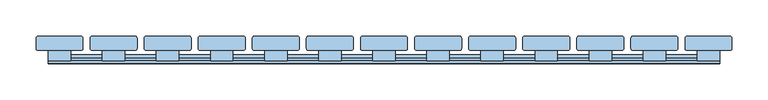
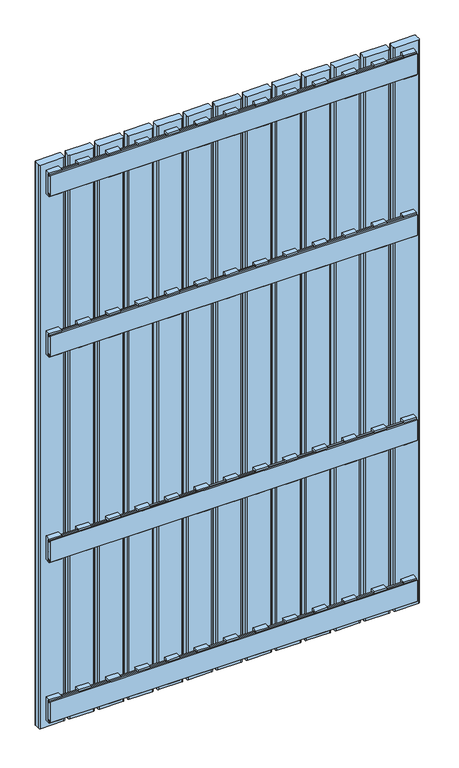
"""IFC4 building model written with IfcOpenShell, lengths in millimetres: window geometry."""

from ifc_helpers import new_model, si_unit, point, frame, frame_2d, origin, place, context, project, spatial, polyline, circle_curve, trimmed, segment, composite_curve, outline, extrude, source, transform, mapped, element, save


def window_75bc1497(model_context):
    return source(origin(), model_context, "Body", "SweptSolid", [
        extrude(outline(polyline([(24.0, 1157.5936804), (19.8, 1157.5936804), (19.8, 1153.5936804), (16.0, 1153.5936804), (16.0, 1161.5), (29.9, 1161.5), (29.9, 1098.5), (16.0, 1098.5), (16.0, 1106.4063196), (19.8, 1106.4063196), (19.8, 1102.4063196), (24.0, 1102.4063196), (24.0, 1157.5936804)])), frame((359.5, 0.0, 0.0), z_axis=(1.0, 0.0, 0.0), x_axis=(0.0, 1.0, 0.0)), (0.0, 0.0, 1.0), 31.0),
        extrude(outline(polyline([(24.0, 607.5936804), (19.8, 607.5936804), (19.8, 603.5936804), (16.0, 603.5936804), (16.0, 611.5), (29.9, 611.5), (29.9, 548.5), (16.0, 548.5), (16.0, 556.4063196), (19.8, 556.4063196), (19.8, 552.4063196), (24.0, 552.4063196), (24.0, 607.5936804)])), frame((359.5, 0.0, 0.0), z_axis=(1.0, 0.0, 0.0), x_axis=(0.0, 1.0, 0.0)), (0.0, 0.0, 1.0), 31.0),
        extrude(outline(polyline([(24.0, 1532.9063196), (24.0, 1588.0936804), (19.8, 1588.0936804), (19.8, 1584.0936804), (16.0, 1584.0936804), (16.0, 1592.0), (29.9, 1592.0), (29.9, 1529.0), (16.0, 1529.0), (16.0, 1536.9063196), (19.8, 1536.9063196), (19.8, 1532.9063196), (24.0, 1532.9063196)])), frame((359.5, 0.0, 0.0), z_axis=(1.0, 0.0, 0.0), x_axis=(0.0, 1.0, 0.0)), (0.0, 0.0, 1.0), 31.0),
        extrude(outline(polyline([(24.0, 177.0936804), (19.8, 177.0936804), (19.8, 173.0936804), (16.0, 173.0936804), (16.0, 181.0), (29.9, 181.0), (29.9, 118.0), (16.0, 118.0), (16.0, 125.9063196), (19.8, 125.9063196), (19.8, 121.9063196), (24.0, 121.9063196), (24.0, 177.0936804)])), frame((359.5, 0.0, 0.0), z_axis=(1.0, 0.0, 0.0), x_axis=(0.0, 1.0, 0.0)), (0.0, 0.0, 1.0), 31.0),
        extrude(outline(polyline([(24.0, 1157.5936804), (19.8, 1157.5936804), (19.8, 1153.5936804), (16.0, 1153.5936804), (16.0, 1161.5), (29.9, 1161.5), (29.9, 1098.5), (16.0, 1098.5), (16.0, 1106.4063196), (19.8, 1106.4063196), (19.8, 1102.4063196), (24.0, 1102.4063196), (24.0, 1157.5936804)])), frame((284.5, 0.0, 0.0), z_axis=(1.0, 0.0, 0.0), x_axis=(0.0, 1.0, 0.0)), (0.0, 0.0, 1.0), 31.0),
        extrude(outline(polyline([(24.0, 607.5936804), (19.8, 607.5936804), (19.8, 603.5936804), (16.0, 603.5936804), (16.0, 611.5), (29.9, 611.5), (29.9, 548.5), (16.0, 548.5), (16.0, 556.4063196), (19.8, 556.4063196), (19.8, 552.4063196), (24.0, 552.4063196), (24.0, 607.5936804)])), frame((284.5, 0.0, 0.0), z_axis=(1.0, 0.0, 0.0), x_axis=(0.0, 1.0, 0.0)), (0.0, 0.0, 1.0), 31.0),
        extrude(outline(polyline([(24.0, 1532.9063196), (24.0, 1588.0936804), (19.8, 1588.0936804), (19.8, 1584.0936804), (16.0, 1584.0936804), (16.0, 1592.0), (29.9, 1592.0), (29.9, 1529.0), (16.0, 1529.0), (16.0, 1536.9063196), (19.8, 1536.9063196), (19.8, 1532.9063196), (24.0, 1532.9063196)])), frame((284.5, 0.0, 0.0), z_axis=(1.0, 0.0, 0.0), x_axis=(0.0, 1.0, 0.0)), (0.0, 0.0, 1.0), 31.0),
        extrude(outline(polyline([(24.0, 177.0936804), (19.8, 177.0936804), (19.8, 173.0936804), (16.0, 173.0936804), (16.0, 181.0), (29.9, 181.0), (29.9, 118.0), (16.0, 118.0), (16.0, 125.9063196), (19.8, 125.9063196), (19.8, 121.9063196), (24.0, 121.9063196), (24.0, 177.0936804)])), frame((284.5, 0.0, 0.0), z_axis=(1.0, 0.0, 0.0), x_axis=(0.0, 1.0, 0.0)), (0.0, 0.0, 1.0), 31.0),
        extrude(outline(polyline([(24.0, 1157.5936804), (19.8, 1157.5936804), (19.8, 1153.5936804), (16.0, 1153.5936804), (16.0, 1161.5), (29.9, 1161.5), (29.9, 1098.5), (16.0, 1098.5), (16.0, 1106.4063196), (19.8, 1106.4063196), (19.8, 1102.4063196), (24.0, 1102.4063196), (24.0, 1157.5936804)])), frame((209.5, 0.0, 0.0), z_axis=(1.0, 0.0, 0.0), x_axis=(0.0, 1.0, 0.0)), (0.0, 0.0, 1.0), 31.0),
        extrude(outline(polyline([(24.0, 607.5936804), (19.8, 607.5936804), (19.8, 603.5936804), (16.0, 603.5936804), (16.0, 611.5), (29.9, 611.5), (29.9, 548.5), (16.0, 548.5), (16.0, 556.4063196), (19.8, 556.4063196), (19.8, 552.4063196), (24.0, 552.4063196), (24.0, 607.5936804)])), frame((209.5, 0.0, 0.0), z_axis=(1.0, 0.0, 0.0), x_axis=(0.0, 1.0, 0.0)), (0.0, 0.0, 1.0), 31.0),
        extrude(outline(polyline([(24.0, 1532.9063196), (24.0, 1588.0936804), (19.8, 1588.0936804), (19.8, 1584.0936804), (16.0, 1584.0936804), (16.0, 1592.0), (29.9, 1592.0), (29.9, 1529.0), (16.0, 1529.0), (16.0, 1536.9063196), (19.8, 1536.9063196), (19.8, 1532.9063196), (24.0, 1532.9063196)])), frame((209.5, 0.0, 0.0), z_axis=(1.0, 0.0, 0.0), x_axis=(0.0, 1.0, 0.0)), (0.0, 0.0, 1.0), 31.0),
        extrude(outline(polyline([(24.0, 177.0936804), (19.8, 177.0936804), (19.8, 173.0936804), (16.0, 173.0936804), (16.0, 181.0), (29.9, 181.0), (29.9, 118.0), (16.0, 118.0), (16.0, 125.9063196), (19.8, 125.9063196), (19.8, 121.9063196), (24.0, 121.9063196), (24.0, 177.0936804)])), frame((209.5, 0.0, 0.0), z_axis=(1.0, 0.0, 0.0), x_axis=(0.0, 1.0, 0.0)), (0.0, 0.0, 1.0), 31.0),
        extrude(outline(polyline([(24.0, 1157.5936804), (19.8, 1157.5936804), (19.8, 1153.5936804), (16.0, 1153.5936804), (16.0, 1161.5), (29.9, 1161.5), (29.9, 1098.5), (16.0, 1098.5), (16.0, 1106.4063196), (19.8, 1106.4063196), (19.8, 1102.4063196), (24.0, 1102.4063196), (24.0, 1157.5936804)])), frame((134.5, 0.0, 0.0), z_axis=(1.0, 0.0, 0.0), x_axis=(0.0, 1.0, 0.0)), (0.0, 0.0, 1.0), 31.0),
        extrude(outline(polyline([(24.0, 607.5936804), (19.8, 607.5936804), (19.8, 603.5936804), (16.0, 603.5936804), (16.0, 611.5), (29.9, 611.5), (29.9, 548.5), (16.0, 548.5), (16.0, 556.4063196), (19.8, 556.4063196), (19.8, 552.4063196), (24.0, 552.4063196), (24.0, 607.5936804)])), frame((134.5, 0.0, 0.0), z_axis=(1.0, 0.0, 0.0), x_axis=(0.0, 1.0, 0.0)), (0.0, 0.0, 1.0), 31.0),
        extrude(outline(polyline([(24.0, 1532.9063196), (24.0, 1588.0936804), (19.8, 1588.0936804), (19.8, 1584.0936804), (16.0, 1584.0936804), (16.0, 1592.0), (29.9, 1592.0), (29.9, 1529.0), (16.0, 1529.0), (16.0, 1536.9063196), (19.8, 1536.9063196), (19.8, 1532.9063196), (24.0, 1532.9063196)])), frame((134.5, 0.0, 0.0), z_axis=(1.0, 0.0, 0.0), x_axis=(0.0, 1.0, 0.0)), (0.0, 0.0, 1.0), 31.0),
        extrude(outline(polyline([(24.0, 177.0936804), (19.8, 177.0936804), (19.8, 173.0936804), (16.0, 173.0936804), (16.0, 181.0), (29.9, 181.0), (29.9, 118.0), (16.0, 118.0), (16.0, 125.9063196), (19.8, 125.9063196), (19.8, 121.9063196), (24.0, 121.9063196), (24.0, 177.0936804)])), frame((134.5, 0.0, 0.0), z_axis=(1.0, 0.0, 0.0), x_axis=(0.0, 1.0, 0.0)), (0.0, 0.0, 1.0), 31.0),
        extrude(outline(polyline([(24.0, 1157.5936804), (19.8, 1157.5936804), (19.8, 1153.5936804), (16.0, 1153.5936804), (16.0, 1161.5), (29.9, 1161.5), (29.9, 1098.5), (16.0, 1098.5), (16.0, 1106.4063196), (19.8, 1106.4063196), (19.8, 1102.4063196), (24.0, 1102.4063196), (24.0, 1157.5936804)])), frame((59.5, 0.0, 0.0), z_axis=(1.0, 0.0, 0.0), x_axis=(0.0, 1.0, 0.0)), (0.0, 0.0, 1.0), 31.0),
        extrude(outline(polyline([(24.0, 607.5936804), (19.8, 607.5936804), (19.8, 603.5936804), (16.0, 603.5936804), (16.0, 611.5), (29.9, 611.5), (29.9, 548.5), (16.0, 548.5), (16.0, 556.4063196), (19.8, 556.4063196), (19.8, 552.4063196), (24.0, 552.4063196), (24.0, 607.5936804)])), frame((59.5, 0.0, 0.0), z_axis=(1.0, 0.0, 0.0), x_axis=(0.0, 1.0, 0.0)), (0.0, 0.0, 1.0), 31.0),
        extrude(outline(polyline([(24.0, 1532.9063196), (24.0, 1588.0936804), (19.8, 1588.0936804), (19.8, 1584.0936804), (16.0, 1584.0936804), (16.0, 1592.0), (29.9, 1592.0), (29.9, 1529.0), (16.0, 1529.0), (16.0, 1536.9063196), (19.8, 1536.9063196), (19.8, 1532.9063196), (24.0, 1532.9063196)])), frame((59.5, 0.0, 0.0), z_axis=(1.0, 0.0, 0.0), x_axis=(0.0, 1.0, 0.0)), (0.0, 0.0, 1.0), 31.0),
        extrude(outline(polyline([(24.0, 177.0936804), (19.8, 177.0936804), (19.8, 173.0936804), (16.0, 173.0936804), (16.0, 181.0), (29.9, 181.0), (29.9, 118.0), (16.0, 118.0), (16.0, 125.9063196), (19.8, 125.9063196), (19.8, 121.9063196), (24.0, 121.9063196), (24.0, 177.0936804)])), frame((59.5, 0.0, 0.0), z_axis=(1.0, 0.0, 0.0), x_axis=(0.0, 1.0, 0.0)), (0.0, 0.0, 1.0), 31.0),
        extrude(outline(polyline([(24.0, 1157.5936804), (19.8, 1157.5936804), (19.8, 1153.5936804), (16.0, 1153.5936804), (16.0, 1161.5), (29.9, 1161.5), (29.9, 1098.5), (16.0, 1098.5), (16.0, 1106.4063196), (19.8, 1106.4063196), (19.8, 1102.4063196), (24.0, 1102.4063196), (24.0, 1157.5936804)])), frame((-15.5, 0.0, 0.0), z_axis=(1.0, 0.0, 0.0), x_axis=(0.0, 1.0, 0.0)), (0.0, 0.0, 1.0), 31.0),
        extrude(outline(polyline([(24.0, 607.5936804), (19.8, 607.5936804), (19.8, 603.5936804), (16.0, 603.5936804), (16.0, 611.5), (29.9, 611.5), (29.9, 548.5), (16.0, 548.5), (16.0, 556.4063196), (19.8, 556.4063196), (19.8, 552.4063196), (24.0, 552.4063196), (24.0, 607.5936804)])), frame((-15.5, 0.0, 0.0), z_axis=(1.0, 0.0, 0.0), x_axis=(0.0, 1.0, 0.0)), (0.0, 0.0, 1.0), 31.0),
        extrude(outline(polyline([(24.0, 1532.9063196), (24.0, 1588.0936804), (19.8, 1588.0936804), (19.8, 1584.0936804), (16.0, 1584.0936804), (16.0, 1592.0), (29.9, 1592.0), (29.9, 1529.0), (16.0, 1529.0), (16.0, 1536.9063196), (19.8, 1536.9063196), (19.8, 1532.9063196), (24.0, 1532.9063196)])), frame((-15.5, 0.0, 0.0), z_axis=(1.0, 0.0, 0.0), x_axis=(0.0, 1.0, 0.0)), (0.0, 0.0, 1.0), 31.0),
        extrude(outline(polyline([(24.0, 177.0936804), (19.8, 177.0936804), (19.8, 173.0936804), (16.0, 173.0936804), (16.0, 181.0), (29.9, 181.0), (29.9, 118.0), (16.0, 118.0), (16.0, 125.9063196), (19.8, 125.9063196), (19.8, 121.9063196), (24.0, 121.9063196), (24.0, 177.0936804)])), frame((-15.5, 0.0, 0.0), z_axis=(1.0, 0.0, 0.0), x_axis=(0.0, 1.0, 0.0)), (0.0, 0.0, 1.0), 31.0),
        extrude(outline(polyline([(24.0, 1157.5936804), (19.8, 1157.5936804), (19.8, 1153.5936804), (16.0, 1153.5936804), (16.0, 1161.5), (29.9, 1161.5), (29.9, 1098.5), (16.0, 1098.5), (16.0, 1106.4063196), (19.8, 1106.4063196), (19.8, 1102.4063196), (24.0, 1102.4063196), (24.0, 1157.5936804)])), frame((-90.5, 0.0, 0.0), z_axis=(1.0, 0.0, 0.0), x_axis=(0.0, 1.0, 0.0)), (0.0, 0.0, 1.0), 31.0),
        extrude(outline(polyline([(24.0, 607.5936804), (19.8, 607.5936804), (19.8, 603.5936804), (16.0, 603.5936804), (16.0, 611.5), (29.9, 611.5), (29.9, 548.5), (16.0, 548.5), (16.0, 556.4063196), (19.8, 556.4063196), (19.8, 552.4063196), (24.0, 552.4063196), (24.0, 607.5936804)])), frame((-90.5, 0.0, 0.0), z_axis=(1.0, 0.0, 0.0), x_axis=(0.0, 1.0, 0.0)), (0.0, 0.0, 1.0), 31.0),
        extrude(outline(polyline([(24.0, 1532.9063196), (24.0, 1588.0936804), (19.8, 1588.0936804), (19.8, 1584.0936804), (16.0, 1584.0936804), (16.0, 1592.0), (29.9, 1592.0), (29.9, 1529.0), (16.0, 1529.0), (16.0, 1536.9063196), (19.8, 1536.9063196), (19.8, 1532.9063196), (24.0, 1532.9063196)])), frame((-90.5, 0.0, 0.0), z_axis=(1.0, 0.0, 0.0), x_axis=(0.0, 1.0, 0.0)), (0.0, 0.0, 1.0), 31.0),
        extrude(outline(polyline([(24.0, 177.0936804), (19.8, 177.0936804), (19.8, 173.0936804), (16.0, 173.0936804), (16.0, 181.0), (29.9, 181.0), (29.9, 118.0), (16.0, 118.0), (16.0, 125.9063196), (19.8, 125.9063196), (19.8, 121.9063196), (24.0, 121.9063196), (24.0, 177.0936804)])), frame((-90.5, 0.0, 0.0), z_axis=(1.0, 0.0, 0.0), x_axis=(0.0, 1.0, 0.0)), (0.0, 0.0, 1.0), 31.0),
        extrude(outline(polyline([(24.0, 1157.5936804), (19.8, 1157.5936804), (19.8, 1153.5936804), (16.0, 1153.5936804), (16.0, 1161.5), (29.9, 1161.5), (29.9, 1098.5), (16.0, 1098.5), (16.0, 1106.4063196), (19.8, 1106.4063196), (19.8, 1102.4063196), (24.0, 1102.4063196), (24.0, 1157.5936804)])), frame((-165.5, 0.0, 0.0), z_axis=(1.0, 0.0, 0.0), x_axis=(0.0, 1.0, 0.0)), (0.0, 0.0, 1.0), 31.0),
        extrude(outline(polyline([(24.0, 607.5936804), (19.8, 607.5936804), (19.8, 603.5936804), (16.0, 603.5936804), (16.0, 611.5), (29.9, 611.5), (29.9, 548.5), (16.0, 548.5), (16.0, 556.4063196), (19.8, 556.4063196), (19.8, 552.4063196), (24.0, 552.4063196), (24.0, 607.5936804)])), frame((-165.5, 0.0, 0.0), z_axis=(1.0, 0.0, 0.0), x_axis=(0.0, 1.0, 0.0)), (0.0, 0.0, 1.0), 31.0),
        extrude(outline(polyline([(24.0, 1532.9063196), (24.0, 1588.0936804), (19.8, 1588.0936804), (19.8, 1584.0936804), (16.0, 1584.0936804), (16.0, 1592.0), (29.9, 1592.0), (29.9, 1529.0), (16.0, 1529.0), (16.0, 1536.9063196), (19.8, 1536.9063196), (19.8, 1532.9063196), (24.0, 1532.9063196)])), frame((-165.5, 0.0, 0.0), z_axis=(1.0, 0.0, 0.0), x_axis=(0.0, 1.0, 0.0)), (0.0, 0.0, 1.0), 31.0),
        extrude(outline(polyline([(24.0, 177.0936804), (19.8, 177.0936804), (19.8, 173.0936804), (16.0, 173.0936804), (16.0, 181.0), (29.9, 181.0), (29.9, 118.0), (16.0, 118.0), (16.0, 125.9063196), (19.8, 125.9063196), (19.8, 121.9063196), (24.0, 121.9063196), (24.0, 177.0936804)])), frame((-165.5, 0.0, 0.0), z_axis=(1.0, 0.0, 0.0), x_axis=(0.0, 1.0, 0.0)), (0.0, 0.0, 1.0), 31.0),
        extrude(outline(polyline([(24.0, 1157.5936804), (19.8, 1157.5936804), (19.8, 1153.5936804), (16.0, 1153.5936804), (16.0, 1161.5), (29.9, 1161.5), (29.9, 1098.5), (16.0, 1098.5), (16.0, 1106.4063196), (19.8, 1106.4063196), (19.8, 1102.4063196), (24.0, 1102.4063196), (24.0, 1157.5936804)])), frame((-240.5, 0.0, 0.0), z_axis=(1.0, 0.0, 0.0), x_axis=(0.0, 1.0, 0.0)), (0.0, 0.0, 1.0), 31.0),
        extrude(outline(polyline([(24.0, 607.5936804), (19.8, 607.5936804), (19.8, 603.5936804), (16.0, 603.5936804), (16.0, 611.5), (29.9, 611.5), (29.9, 548.5), (16.0, 548.5), (16.0, 556.4063196), (19.8, 556.4063196), (19.8, 552.4063196), (24.0, 552.4063196), (24.0, 607.5936804)])), frame((-240.5, 0.0, 0.0), z_axis=(1.0, 0.0, 0.0), x_axis=(0.0, 1.0, 0.0)), (0.0, 0.0, 1.0), 31.0),
        extrude(outline(polyline([(24.0, 1532.9063196), (24.0, 1588.0936804), (19.8, 1588.0936804), (19.8, 1584.0936804), (16.0, 1584.0936804), (16.0, 1592.0), (29.9, 1592.0), (29.9, 1529.0), (16.0, 1529.0), (16.0, 1536.9063196), (19.8, 1536.9063196), (19.8, 1532.9063196), (24.0, 1532.9063196)])), frame((-240.5, 0.0, 0.0), z_axis=(1.0, 0.0, 0.0), x_axis=(0.0, 1.0, 0.0)), (0.0, 0.0, 1.0), 31.0),
        extrude(outline(polyline([(24.0, 177.0936804), (19.8, 177.0936804), (19.8, 173.0936804), (16.0, 173.0936804), (16.0, 181.0), (29.9, 181.0), (29.9, 118.0), (16.0, 118.0), (16.0, 125.9063196), (19.8, 125.9063196), (19.8, 121.9063196), (24.0, 121.9063196), (24.0, 177.0936804)])), frame((-240.5, 0.0, 0.0), z_axis=(1.0, 0.0, 0.0), x_axis=(0.0, 1.0, 0.0)), (0.0, 0.0, 1.0), 31.0),
        extrude(outline(polyline([(24.0, 1157.5936804), (19.8, 1157.5936804), (19.8, 1153.5936804), (16.0, 1153.5936804), (16.0, 1161.5), (29.9, 1161.5), (29.9, 1098.5), (16.0, 1098.5), (16.0, 1106.4063196), (19.8, 1106.4063196), (19.8, 1102.4063196), (24.0, 1102.4063196), (24.0, 1157.5936804)])), frame((-315.5, 0.0, 0.0), z_axis=(1.0, 0.0, 0.0), x_axis=(0.0, 1.0, 0.0)), (0.0, 0.0, 1.0), 31.0),
        extrude(outline(polyline([(24.0, 607.5936804), (19.8, 607.5936804), (19.8, 603.5936804), (16.0, 603.5936804), (16.0, 611.5), (29.9, 611.5), (29.9, 548.5), (16.0, 548.5), (16.0, 556.4063196), (19.8, 556.4063196), (19.8, 552.4063196), (24.0, 552.4063196), (24.0, 607.5936804)])), frame((-315.5, 0.0, 0.0), z_axis=(1.0, 0.0, 0.0), x_axis=(0.0, 1.0, 0.0)), (0.0, 0.0, 1.0), 31.0),
        extrude(outline(polyline([(24.0, 1532.9063196), (24.0, 1588.0936804), (19.8, 1588.0936804), (19.8, 1584.0936804), (16.0, 1584.0936804), (16.0, 1592.0), (29.9, 1592.0), (29.9, 1529.0), (16.0, 1529.0), (16.0, 1536.9063196), (19.8, 1536.9063196), (19.8, 1532.9063196), (24.0, 1532.9063196)])), frame((-315.5, 0.0, 0.0), z_axis=(1.0, 0.0, 0.0), x_axis=(0.0, 1.0, 0.0)), (0.0, 0.0, 1.0), 31.0),
        extrude(outline(polyline([(24.0, 177.0936804), (19.8, 177.0936804), (19.8, 173.0936804), (16.0, 173.0936804), (16.0, 181.0), (29.9, 181.0), (29.9, 118.0), (16.0, 118.0), (16.0, 125.9063196), (19.8, 125.9063196), (19.8, 121.9063196), (24.0, 121.9063196), (24.0, 177.0936804)])), frame((-315.5, 0.0, 0.0), z_axis=(1.0, 0.0, 0.0), x_axis=(0.0, 1.0, 0.0)), (0.0, 0.0, 1.0), 31.0),
        extrude(outline(polyline([(24.0, 1157.5936804), (19.8, 1157.5936804), (19.8, 1153.5936804), (16.0, 1153.5936804), (16.0, 1161.5), (29.9, 1161.5), (29.9, 1098.5), (16.0, 1098.5), (16.0, 1106.4063196), (19.8, 1106.4063196), (19.8, 1102.4063196), (24.0, 1102.4063196), (24.0, 1157.5936804)])), frame((-390.5, 0.0, 0.0), z_axis=(1.0, 0.0, 0.0), x_axis=(0.0, 1.0, 0.0)), (0.0, 0.0, 1.0), 31.0),
        extrude(outline(polyline([(24.0, 607.5936804), (19.8, 607.5936804), (19.8, 603.5936804), (16.0, 603.5936804), (16.0, 611.5), (29.9, 611.5), (29.9, 548.5), (16.0, 548.5), (16.0, 556.4063196), (19.8, 556.4063196), (19.8, 552.4063196), (24.0, 552.4063196), (24.0, 607.5936804)])), frame((-390.5, 0.0, 0.0), z_axis=(1.0, 0.0, 0.0), x_axis=(0.0, 1.0, 0.0)), (0.0, 0.0, 1.0), 31.0),
        extrude(outline(polyline([(24.0, 1532.9063196), (24.0, 1588.0936804), (19.8, 1588.0936804), (19.8, 1584.0936804), (16.0, 1584.0936804), (16.0, 1592.0), (29.9, 1592.0), (29.9, 1529.0), (16.0, 1529.0), (16.0, 1536.9063196), (19.8, 1536.9063196), (19.8, 1532.9063196), (24.0, 1532.9063196)])), frame((-390.5, 0.0, 0.0), z_axis=(1.0, 0.0, 0.0), x_axis=(0.0, 1.0, 0.0)), (0.0, 0.0, 1.0), 31.0),
        extrude(outline(polyline([(24.0, 177.0936804), (19.8, 177.0936804), (19.8, 173.0936804), (16.0, 173.0936804), (16.0, 181.0), (29.9, 181.0), (29.9, 118.0), (16.0, 118.0), (16.0, 125.9063196), (19.8, 125.9063196), (19.8, 121.9063196), (24.0, 121.9063196), (24.0, 177.0936804)])), frame((-390.5, 0.0, 0.0), z_axis=(1.0, 0.0, 0.0), x_axis=(0.0, 1.0, 0.0)), (0.0, 0.0, 1.0), 31.0),
        extrude(outline(polyline([(24.0, 1102.4063196), (24.0, 1157.5936804), (19.8, 1157.5936804), (19.8, 1153.5936804), (16.0, 1153.5936804), (16.0, 1161.5), (29.9, 1161.5), (29.9, 1098.5), (16.0, 1098.5), (16.0, 1106.4063196), (19.8, 1106.4063196), (19.8, 1102.4063196), (24.0, 1102.4063196)])), frame((434.5, 0.0, 0.0), z_axis=(1.0, 0.0, 0.0), x_axis=(0.0, 1.0, 0.0)), (0.0, 0.0, 1.0), 31.0),
        extrude(outline(polyline([(24.0, 552.4063196), (24.0, 607.5936804), (19.8, 607.5936804), (19.8, 603.5936804), (16.0, 603.5936804), (16.0, 611.5), (29.9, 611.5), (29.9, 548.5), (16.0, 548.5), (16.0, 556.4063196), (19.8, 556.4063196), (19.8, 552.4063196), (24.0, 552.4063196)])), frame((434.5, 0.0, 0.0), z_axis=(1.0, 0.0, 0.0), x_axis=(0.0, 1.0, 0.0)), (0.0, 0.0, 1.0), 31.0),
        extrude(outline(polyline([(24.0, 1532.9063196), (24.0, 1588.0936804), (19.8, 1588.0936804), (19.8, 1584.0936804), (16.0, 1584.0936804), (16.0, 1592.0), (29.9, 1592.0), (29.9, 1529.0), (16.0, 1529.0), (16.0, 1536.9063196), (19.8, 1536.9063196), (19.8, 1532.9063196), (24.0, 1532.9063196)])), frame((434.5, 0.0, 0.0), z_axis=(1.0, 0.0, 0.0), x_axis=(0.0, 1.0, 0.0)), (0.0, 0.0, 1.0), 31.0),
        extrude(outline(polyline([(24.0, 177.0936804), (19.8, 177.0936804), (19.8, 173.0936804), (16.0, 173.0936804), (16.0, 181.0), (29.9, 181.0), (29.9, 118.0), (16.0, 118.0), (16.0, 125.9063196), (19.8, 125.9063196), (19.8, 121.9063196), (24.0, 121.9063196), (24.0, 177.0936804)])), frame((434.5, 0.0, 0.0), z_axis=(1.0, 0.0, 0.0), x_axis=(0.0, 1.0, 0.0)), (0.0, 0.0, 1.0), 31.0),
        extrude(outline(polyline([(24.0, 1102.4063196), (24.0, 1157.5936804), (19.8, 1157.5936804), (19.8, 1153.5936804), (16.0, 1153.5936804), (16.0, 1161.5), (29.9, 1161.5), (29.9, 1098.5), (16.0, 1098.5), (16.0, 1106.4063196), (19.8, 1106.4063196), (19.8, 1102.4063196), (24.0, 1102.4063196)])), frame((-465.5, 0.0, 0.0), z_axis=(1.0, 0.0, 0.0), x_axis=(0.0, 1.0, 0.0)), (0.0, 0.0, 1.0), 31.0),
        extrude(outline(polyline([(24.0, 552.4063196), (24.0, 607.5936804), (19.8, 607.5936804), (19.8, 603.5936804), (16.0, 603.5936804), (16.0, 611.5), (29.9, 611.5), (29.9, 548.5), (16.0, 548.5), (16.0, 556.4063196), (19.8, 556.4063196), (19.8, 552.4063196), (24.0, 552.4063196)])), frame((-465.5, 0.0, 0.0), z_axis=(1.0, 0.0, 0.0), x_axis=(0.0, 1.0, 0.0)), (0.0, 0.0, 1.0), 31.0),
        extrude(outline(polyline([(24.0, 1532.9063196), (24.0, 1588.0936804), (19.8, 1588.0936804), (19.8, 1584.0936804), (16.0, 1584.0936804), (16.0, 1592.0), (29.9, 1592.0), (29.9, 1529.0), (16.0, 1529.0), (16.0, 1536.9063196), (19.8, 1536.9063196), (19.8, 1532.9063196), (24.0, 1532.9063196)])), frame((-465.5, 0.0, 0.0), z_axis=(1.0, 0.0, 0.0), x_axis=(0.0, 1.0, 0.0)), (0.0, 0.0, 1.0), 31.0),
        extrude(outline(polyline([(24.0, 177.0936804), (19.8, 177.0936804), (19.8, 173.0936804), (16.0, 173.0936804), (16.0, 181.0), (29.9, 181.0), (29.9, 118.0), (16.0, 118.0), (16.0, 125.9063196), (19.8, 125.9063196), (19.8, 121.9063196), (24.0, 121.9063196), (24.0, 177.0936804)])), frame((-465.5, 0.0, 0.0), z_axis=(1.0, 0.0, 0.0), x_axis=(0.0, 1.0, 0.0)), (0.0, 0.0, 1.0), 31.0),
        extrude(outline(polyline([(12.0, 1157.5063196), (16.0, 1157.5063196), (16.0, 1153.5063196), (20.0, 1153.5063196), (20.0, 1157.5063196), (24.0, 1157.5063196), (24.0, 1152.5063196), (21.0, 1152.5063196), (21.0, 1147.5063196), (24.0, 1147.5063196), (24.0, 1135.0063196), (21.0, 1135.0063196), (21.0, 1125.0063196), (24.0, 1125.0063196), (24.0, 1112.5063196), (21.0, 1112.5063196), (21.0, 1107.5063196), (24.0, 1107.5063196), (24.0, 1102.5063196), (20.0, 1102.5063196), (20.0, 1106.5063196), (16.0, 1106.5063196), (16.0, 1102.5063196), (12.0, 1102.5063196), (12.0, 1157.5063196)])), frame((-465.5, 0.0, 0.0), z_axis=(1.0, 0.0, 0.0), x_axis=(0.0, 1.0, 0.0)), (0.0, 0.0, 1.0), 931.0),
        extrude(outline(polyline([(12.0, 607.5063196), (16.0, 607.5063196), (16.0, 603.5063196), (20.0, 603.5063196), (20.0, 607.5063196), (24.0, 607.5063196), (24.0, 602.5063196), (21.0, 602.5063196), (21.0, 597.5063196), (24.0, 597.5063196), (24.0, 585.0063196), (21.0, 585.0063196), (21.0, 575.0063196), (24.0, 575.0063196), (24.0, 562.5063196), (21.0, 562.5063196), (21.0, 557.5063196), (24.0, 557.5063196), (24.0, 552.5063196), (20.0, 552.5063196), (20.0, 556.5063196), (16.0, 556.5063196), (16.0, 552.5063196), (12.0, 552.5063196), (12.0, 607.5063196)])), frame((-465.5, 0.0, 0.0), z_axis=(1.0, 0.0, 0.0), x_axis=(0.0, 1.0, 0.0)), (0.0, 0.0, 1.0), 931.0),
        extrude(outline(polyline([(12.0, 1588.0), (16.0, 1588.0), (16.0, 1584.0), (20.0, 1584.0), (20.0, 1588.0), (24.0, 1588.0), (24.0, 1583.0), (21.0, 1583.0), (21.0, 1578.0), (24.0, 1578.0), (24.0, 1565.5), (21.0, 1565.5), (21.0, 1555.5), (24.0, 1555.5), (24.0, 1543.0), (21.0, 1543.0), (21.0, 1538.0), (24.0, 1538.0), (24.0, 1533.0), (20.0, 1533.0), (20.0, 1537.0), (16.0, 1537.0), (16.0, 1533.0), (12.0, 1533.0), (12.0, 1588.0)])), frame((-465.5, 0.0, 0.0), z_axis=(1.0, 0.0, 0.0), x_axis=(0.0, 1.0, 0.0)), (0.0, 0.0, 1.0), 931.0),
        extrude(outline(polyline([(12.0, 177.0), (16.0, 177.0), (16.0, 173.0), (20.0, 173.0), (20.0, 177.0), (24.0, 177.0), (24.0, 172.0), (21.0, 172.0), (21.0, 167.0), (24.0, 167.0), (24.0, 154.5), (21.0, 154.5), (21.0, 144.5), (24.0, 144.5), (24.0, 132.0), (21.0, 132.0), (21.0, 127.0), (24.0, 127.0), (24.0, 122.0), (20.0, 122.0), (20.0, 126.0), (16.0, 126.0), (16.0, 122.0), (12.0, 122.0), (12.0, 177.0)])), frame((-465.5, 0.0, 0.0), z_axis=(1.0, 0.0, 0.0), x_axis=(0.0, 1.0, 0.0)), (0.0, 0.0, 1.0), 931.0),
        extrude(outline(composite_curve([segment(polyline([(482.495806, 47.0), (482.495806, 33.0)]), True, "CONTINUOUS"), segment(trimmed(circle_curve(frame_2d((479.495806, 33.0)), 3.0), [point((482.495806, 33.0))], [point((479.495806, 30.0))], False, "CARTESIAN"), True, "CONTINUOUS"), segment(polyline([(479.495806, 30.0), (420.504194, 30.0)]), True, "CONTINUOUS"), segment(trimmed(circle_curve(frame_2d((420.504194, 33.0)), 3.0), [point((420.504194, 30.0))], [point((417.504194, 33.0))], False, "CARTESIAN"), True, "CONTINUOUS"), segment(polyline([(417.504194, 33.0), (417.504194, 47.0)]), True, "CONTINUOUS"), segment(trimmed(circle_curve(frame_2d((420.504194, 47.0)), 3.0), [point((417.504194, 47.0))], [point((420.504194, 50.0))], False, "CARTESIAN"), True, "CONTINUOUS"), segment(polyline([(420.504194, 50.0), (479.495806, 50.0)]), True, "CONTINUOUS"), segment(trimmed(circle_curve(frame_2d((479.495806, 47.0)), 3.0), [point((479.495806, 50.0))], [point((482.495806, 47.0))], False, "CARTESIAN"), True, "CONTINUOUS")], self_intersect=False)), frame((0.0, 0.0, 100.0), z_axis=(0.0, 0.0, 1.0), x_axis=(1.0, 0.0, 0.0)), (0.0, 0.0, 1.0), 1510.0),
        extrude(outline(composite_curve([segment(polyline([(407.495806, 47.0), (407.495806, 33.0)]), True, "CONTINUOUS"), segment(trimmed(circle_curve(frame_2d((404.495806, 33.0)), 3.0), [point((407.495806, 33.0))], [point((404.495806, 30.0))], False, "CARTESIAN"), True, "CONTINUOUS"), segment(polyline([(404.495806, 30.0), (345.504194, 30.0)]), True, "CONTINUOUS"), segment(trimmed(circle_curve(frame_2d((345.504194, 33.0)), 3.0), [point((345.504194, 30.0))], [point((342.504194, 33.0))], False, "CARTESIAN"), True, "CONTINUOUS"), segment(polyline([(342.504194, 33.0), (342.504194, 47.0)]), True, "CONTINUOUS"), segment(trimmed(circle_curve(frame_2d((345.504194, 47.0)), 3.0), [point((342.504194, 47.0))], [point((345.504194, 50.0))], False, "CARTESIAN"), True, "CONTINUOUS"), segment(polyline([(345.504194, 50.0), (404.495806, 50.0)]), True, "CONTINUOUS"), segment(trimmed(circle_curve(frame_2d((404.495806, 47.0)), 3.0), [point((404.495806, 50.0))], [point((407.495806, 47.0))], False, "CARTESIAN"), True, "CONTINUOUS")], self_intersect=False)), frame((0.0, 0.0, 100.0), z_axis=(0.0, 0.0, 1.0), x_axis=(1.0, 0.0, 0.0)), (0.0, 0.0, 1.0), 1510.0),
        extrude(outline(composite_curve([segment(polyline([(332.495806, 47.0), (332.495806, 33.0)]), True, "CONTINUOUS"), segment(trimmed(circle_curve(frame_2d((329.495806, 33.0)), 3.0), [point((332.495806, 33.0))], [point((329.495806, 30.0))], False, "CARTESIAN"), True, "CONTINUOUS"), segment(polyline([(329.495806, 30.0), (270.504194, 30.0)]), True, "CONTINUOUS"), segment(trimmed(circle_curve(frame_2d((270.504194, 33.0)), 3.0), [point((270.504194, 30.0))], [point((267.504194, 33.0))], False, "CARTESIAN"), True, "CONTINUOUS"), segment(polyline([(267.504194, 33.0), (267.504194, 47.0)]), True, "CONTINUOUS"), segment(trimmed(circle_curve(frame_2d((270.504194, 47.0)), 3.0), [point((267.504194, 47.0))], [point((270.504194, 50.0))], False, "CARTESIAN"), True, "CONTINUOUS"), segment(polyline([(270.504194, 50.0), (329.495806, 50.0)]), True, "CONTINUOUS"), segment(trimmed(circle_curve(frame_2d((329.495806, 47.0)), 3.0), [point((329.495806, 50.0))], [point((332.495806, 47.0))], False, "CARTESIAN"), True, "CONTINUOUS")], self_intersect=False)), frame((0.0, 0.0, 100.0), z_axis=(0.0, 0.0, 1.0), x_axis=(1.0, 0.0, 0.0)), (0.0, 0.0, 1.0), 1510.0),
        extrude(outline(composite_curve([segment(polyline([(257.495806, 47.0), (257.495806, 33.0)]), True, "CONTINUOUS"), segment(trimmed(circle_curve(frame_2d((254.495806, 33.0)), 3.0), [point((257.495806, 33.0))], [point((254.495806, 30.0))], False, "CARTESIAN"), True, "CONTINUOUS"), segment(polyline([(254.495806, 30.0), (195.504194, 30.0)]), True, "CONTINUOUS"), segment(trimmed(circle_curve(frame_2d((195.504194, 33.0)), 3.0), [point((195.504194, 30.0))], [point((192.504194, 33.0))], False, "CARTESIAN"), True, "CONTINUOUS"), segment(polyline([(192.504194, 33.0), (192.504194, 47.0)]), True, "CONTINUOUS"), segment(trimmed(circle_curve(frame_2d((195.504194, 47.0)), 3.0), [point((192.504194, 47.0))], [point((195.504194, 50.0))], False, "CARTESIAN"), True, "CONTINUOUS"), segment(polyline([(195.504194, 50.0), (254.495806, 50.0)]), True, "CONTINUOUS"), segment(trimmed(circle_curve(frame_2d((254.495806, 47.0)), 3.0), [point((254.495806, 50.0))], [point((257.495806, 47.0))], False, "CARTESIAN"), True, "CONTINUOUS")], self_intersect=False)), frame((0.0, 0.0, 100.0), z_axis=(0.0, 0.0, 1.0), x_axis=(1.0, 0.0, 0.0)), (0.0, 0.0, 1.0), 1510.0),
        extrude(outline(composite_curve([segment(polyline([(182.495806, 47.0), (182.495806, 33.0)]), True, "CONTINUOUS"), segment(trimmed(circle_curve(frame_2d((179.495806, 33.0)), 3.0), [point((182.495806, 33.0))], [point((179.495806, 30.0))], False, "CARTESIAN"), True, "CONTINUOUS"), segment(polyline([(179.495806, 30.0), (120.504194, 30.0)]), True, "CONTINUOUS"), segment(trimmed(circle_curve(frame_2d((120.504194, 33.0)), 3.0), [point((120.504194, 30.0))], [point((117.504194, 33.0))], False, "CARTESIAN"), True, "CONTINUOUS"), segment(polyline([(117.504194, 33.0), (117.504194, 47.0)]), True, "CONTINUOUS"), segment(trimmed(circle_curve(frame_2d((120.504194, 47.0)), 3.0), [point((117.504194, 47.0))], [point((120.504194, 50.0))], False, "CARTESIAN"), True, "CONTINUOUS"), segment(polyline([(120.504194, 50.0), (179.495806, 50.0)]), True, "CONTINUOUS"), segment(trimmed(circle_curve(frame_2d((179.495806, 47.0)), 3.0), [point((179.495806, 50.0))], [point((182.495806, 47.0))], False, "CARTESIAN"), True, "CONTINUOUS")], self_intersect=False)), frame((0.0, 0.0, 100.0), z_axis=(0.0, 0.0, 1.0), x_axis=(1.0, 0.0, 0.0)), (0.0, 0.0, 1.0), 1510.0),
        extrude(outline(composite_curve([segment(polyline([(107.495806, 47.0), (107.495806, 33.0)]), True, "CONTINUOUS"), segment(trimmed(circle_curve(frame_2d((104.495806, 33.0)), 3.0), [point((107.495806, 33.0))], [point((104.495806, 30.0))], False, "CARTESIAN"), True, "CONTINUOUS"), segment(polyline([(104.495806, 30.0), (45.504194, 30.0)]), True, "CONTINUOUS"), segment(trimmed(circle_curve(frame_2d((45.504194, 33.0)), 3.0), [point((45.504194, 30.0))], [point((42.504194, 33.0))], False, "CARTESIAN"), True, "CONTINUOUS"), segment(polyline([(42.504194, 33.0), (42.504194, 47.0)]), True, "CONTINUOUS"), segment(trimmed(circle_curve(frame_2d((45.504194, 47.0)), 3.0), [point((42.504194, 47.0))], [point((45.504194, 50.0))], False, "CARTESIAN"), True, "CONTINUOUS"), segment(polyline([(45.504194, 50.0), (104.495806, 50.0)]), True, "CONTINUOUS"), segment(trimmed(circle_curve(frame_2d((104.495806, 47.0)), 3.0), [point((104.495806, 50.0))], [point((107.495806, 47.0))], False, "CARTESIAN"), True, "CONTINUOUS")], self_intersect=False)), frame((0.0, 0.0, 100.0), z_axis=(0.0, 0.0, 1.0), x_axis=(1.0, 0.0, 0.0)), (0.0, 0.0, 1.0), 1510.0),
        extrude(outline(composite_curve([segment(polyline([(32.495806, 47.0), (32.495806, 33.0)]), True, "CONTINUOUS"), segment(trimmed(circle_curve(frame_2d((29.495806, 33.0)), 3.0), [point((32.495806, 33.0))], [point((29.495806, 30.0))], False, "CARTESIAN"), True, "CONTINUOUS"), segment(polyline([(29.495806, 30.0), (-29.495806, 30.0)]), True, "CONTINUOUS"), segment(trimmed(circle_curve(frame_2d((-29.495806, 33.0)), 3.0), [point((-29.495806, 30.0))], [point((-32.495806, 33.0))], False, "CARTESIAN"), True, "CONTINUOUS"), segment(polyline([(-32.495806, 33.0), (-32.495806, 47.0)]), True, "CONTINUOUS"), segment(trimmed(circle_curve(frame_2d((-29.495806, 47.0)), 3.0), [point((-32.495806, 47.0))], [point((-29.495806, 50.0))], False, "CARTESIAN"), True, "CONTINUOUS"), segment(polyline([(-29.495806, 50.0), (29.495806, 50.0)]), True, "CONTINUOUS"), segment(trimmed(circle_curve(frame_2d((29.495806, 47.0)), 3.0), [point((29.495806, 50.0))], [point((32.495806, 47.0))], False, "CARTESIAN"), True, "CONTINUOUS")], self_intersect=False)), frame((0.0, 0.0, 100.0), z_axis=(0.0, 0.0, 1.0), x_axis=(1.0, 0.0, 0.0)), (0.0, 0.0, 1.0), 1510.0),
        extrude(outline(composite_curve([segment(polyline([(-42.504194, 47.0), (-42.504194, 33.0)]), True, "CONTINUOUS"), segment(trimmed(circle_curve(frame_2d((-45.504194, 33.0)), 3.0), [point((-42.504194, 33.0))], [point((-45.504194, 30.0))], False, "CARTESIAN"), True, "CONTINUOUS"), segment(polyline([(-45.504194, 30.0), (-104.495806, 30.0)]), True, "CONTINUOUS"), segment(trimmed(circle_curve(frame_2d((-104.495806, 33.0)), 3.0), [point((-104.495806, 30.0))], [point((-107.495806, 33.0))], False, "CARTESIAN"), True, "CONTINUOUS"), segment(polyline([(-107.495806, 33.0), (-107.495806, 47.0)]), True, "CONTINUOUS"), segment(trimmed(circle_curve(frame_2d((-104.495806, 47.0)), 3.0), [point((-107.495806, 47.0))], [point((-104.495806, 50.0))], False, "CARTESIAN"), True, "CONTINUOUS"), segment(polyline([(-104.495806, 50.0), (-45.504194, 50.0)]), True, "CONTINUOUS"), segment(trimmed(circle_curve(frame_2d((-45.504194, 47.0)), 3.0), [point((-45.504194, 50.0))], [point((-42.504194, 47.0))], False, "CARTESIAN"), True, "CONTINUOUS")], self_intersect=False)), frame((0.0, 0.0, 100.0), z_axis=(0.0, 0.0, 1.0), x_axis=(1.0, 0.0, 0.0)), (0.0, 0.0, 1.0), 1510.0),
        extrude(outline(composite_curve([segment(polyline([(-117.504194, 47.0), (-117.504194, 33.0)]), True, "CONTINUOUS"), segment(trimmed(circle_curve(frame_2d((-120.504194, 33.0)), 3.0), [point((-117.504194, 33.0))], [point((-120.504194, 30.0))], False, "CARTESIAN"), True, "CONTINUOUS"), segment(polyline([(-120.504194, 30.0), (-179.495806, 30.0)]), True, "CONTINUOUS"), segment(trimmed(circle_curve(frame_2d((-179.495806, 33.0)), 3.0), [point((-179.495806, 30.0))], [point((-182.495806, 33.0))], False, "CARTESIAN"), True, "CONTINUOUS"), segment(polyline([(-182.495806, 33.0), (-182.495806, 47.0)]), True, "CONTINUOUS"), segment(trimmed(circle_curve(frame_2d((-179.495806, 47.0)), 3.0), [point((-182.495806, 47.0))], [point((-179.495806, 50.0))], False, "CARTESIAN"), True, "CONTINUOUS"), segment(polyline([(-179.495806, 50.0), (-120.504194, 50.0)]), True, "CONTINUOUS"), segment(trimmed(circle_curve(frame_2d((-120.504194, 47.0)), 3.0), [point((-120.504194, 50.0))], [point((-117.504194, 47.0))], False, "CARTESIAN"), True, "CONTINUOUS")], self_intersect=False)), frame((0.0, 0.0, 100.0), z_axis=(0.0, 0.0, 1.0), x_axis=(1.0, 0.0, 0.0)), (0.0, 0.0, 1.0), 1510.0),
        extrude(outline(composite_curve([segment(polyline([(-192.504194, 47.0), (-192.504194, 33.0)]), True, "CONTINUOUS"), segment(trimmed(circle_curve(frame_2d((-195.504194, 33.0)), 3.0), [point((-192.504194, 33.0))], [point((-195.504194, 30.0))], False, "CARTESIAN"), True, "CONTINUOUS"), segment(polyline([(-195.504194, 30.0), (-254.495806, 30.0)]), True, "CONTINUOUS"), segment(trimmed(circle_curve(frame_2d((-254.495806, 33.0)), 3.0), [point((-254.495806, 30.0))], [point((-257.495806, 33.0))], False, "CARTESIAN"), True, "CONTINUOUS"), segment(polyline([(-257.495806, 33.0), (-257.495806, 47.0)]), True, "CONTINUOUS"), segment(trimmed(circle_curve(frame_2d((-254.495806, 47.0)), 3.0), [point((-257.495806, 47.0))], [point((-254.495806, 50.0))], False, "CARTESIAN"), True, "CONTINUOUS"), segment(polyline([(-254.495806, 50.0), (-195.504194, 50.0)]), True, "CONTINUOUS"), segment(trimmed(circle_curve(frame_2d((-195.504194, 47.0)), 3.0), [point((-195.504194, 50.0))], [point((-192.504194, 47.0))], False, "CARTESIAN"), True, "CONTINUOUS")], self_intersect=False)), frame((0.0, 0.0, 100.0), z_axis=(0.0, 0.0, 1.0), x_axis=(1.0, 0.0, 0.0)), (0.0, 0.0, 1.0), 1510.0),
        extrude(outline(composite_curve([segment(polyline([(-267.504194, 47.0), (-267.504194, 33.0)]), True, "CONTINUOUS"), segment(trimmed(circle_curve(frame_2d((-270.504194, 33.0)), 3.0), [point((-267.504194, 33.0))], [point((-270.504194, 30.0))], False, "CARTESIAN"), True, "CONTINUOUS"), segment(polyline([(-270.504194, 30.0), (-329.495806, 30.0)]), True, "CONTINUOUS"), segment(trimmed(circle_curve(frame_2d((-329.495806, 33.0)), 3.0), [point((-329.495806, 30.0))], [point((-332.495806, 33.0))], False, "CARTESIAN"), True, "CONTINUOUS"), segment(polyline([(-332.495806, 33.0), (-332.495806, 47.0)]), True, "CONTINUOUS"), segment(trimmed(circle_curve(frame_2d((-329.495806, 47.0)), 3.0), [point((-332.495806, 47.0))], [point((-329.495806, 50.0))], False, "CARTESIAN"), True, "CONTINUOUS"), segment(polyline([(-329.495806, 50.0), (-270.504194, 50.0)]), True, "CONTINUOUS"), segment(trimmed(circle_curve(frame_2d((-270.504194, 47.0)), 3.0), [point((-270.504194, 50.0))], [point((-267.504194, 47.0))], False, "CARTESIAN"), True, "CONTINUOUS")], self_intersect=False)), frame((0.0, 0.0, 100.0), z_axis=(0.0, 0.0, 1.0), x_axis=(1.0, 0.0, 0.0)), (0.0, 0.0, 1.0), 1510.0),
        extrude(outline(composite_curve([segment(polyline([(-342.504194, 47.0), (-342.504194, 33.0)]), True, "CONTINUOUS"), segment(trimmed(circle_curve(frame_2d((-345.504194, 33.0)), 3.0), [point((-342.504194, 33.0))], [point((-345.504194, 30.0))], False, "CARTESIAN"), True, "CONTINUOUS"), segment(polyline([(-345.504194, 30.0), (-404.495806, 30.0)]), True, "CONTINUOUS"), segment(trimmed(circle_curve(frame_2d((-404.495806, 33.0)), 3.0), [point((-404.495806, 30.0))], [point((-407.495806, 33.0))], False, "CARTESIAN"), True, "CONTINUOUS"), segment(polyline([(-407.495806, 33.0), (-407.495806, 47.0)]), True, "CONTINUOUS"), segment(trimmed(circle_curve(frame_2d((-404.495806, 47.0)), 3.0), [point((-407.495806, 47.0))], [point((-404.495806, 50.0))], False, "CARTESIAN"), True, "CONTINUOUS"), segment(polyline([(-404.495806, 50.0), (-345.504194, 50.0)]), True, "CONTINUOUS"), segment(trimmed(circle_curve(frame_2d((-345.504194, 47.0)), 3.0), [point((-345.504194, 50.0))], [point((-342.504194, 47.0))], False, "CARTESIAN"), True, "CONTINUOUS")], self_intersect=False)), frame((0.0, 0.0, 100.0), z_axis=(0.0, 0.0, 1.0), x_axis=(1.0, 0.0, 0.0)), (0.0, 0.0, 1.0), 1510.0),
        extrude(outline(composite_curve([segment(polyline([(-417.5, 47.0), (-417.5, 33.0)]), True, "CONTINUOUS"), segment(trimmed(circle_curve(frame_2d((-420.5, 33.0)), 3.0), [point((-417.5, 33.0))], [point((-420.5, 30.0))], False, "CARTESIAN"), True, "CONTINUOUS"), segment(polyline([(-420.5, 30.0), (-479.5, 30.0)]), True, "CONTINUOUS"), segment(trimmed(circle_curve(frame_2d((-479.5, 33.0)), 3.0), [point((-479.5, 30.0))], [point((-482.5, 33.0))], False, "CARTESIAN"), True, "CONTINUOUS"), segment(polyline([(-482.5, 33.0), (-482.5, 47.0)]), True, "CONTINUOUS"), segment(trimmed(circle_curve(frame_2d((-479.5, 47.0)), 3.0), [point((-482.5, 47.0))], [point((-479.5, 50.0))], False, "CARTESIAN"), True, "CONTINUOUS"), segment(polyline([(-479.5, 50.0), (-420.5, 50.0)]), True, "CONTINUOUS"), segment(trimmed(circle_curve(frame_2d((-420.5, 47.0)), 3.0), [point((-420.5, 50.0))], [point((-417.5, 47.0))], False, "CARTESIAN"), True, "CONTINUOUS")], self_intersect=False)), frame((0.0, 0.0, 100.0), z_axis=(0.0, 0.0, 1.0), x_axis=(1.0, 0.0, 0.0)), (0.0, 0.0, 1.0), 1510.0),
    ])


if __name__ == "__main__":
    model = new_model("IFC4")
    model_context = context("Model", 3, world=origin())
    ifc_project = project(units=[si_unit("LENGTHUNIT", "METRE", prefix="MILLI")], contexts=[model_context])
    site = spatial("IfcSite", under=ifc_project)
    building = spatial("IfcBuilding", under=site)
    placement = place(None, origin())
    window_shape = window_75bc1497(model_context)
    element("IfcWindow", 1, at=placement, inside=building, context=model_context, shape_type="MappedRepresentation", body=[
        mapped(window_shape, transform((0.0, 0.0, 0.0), x_axis=(1.0, 0.0, 0.0), y_axis=(0.0, 1.0, 0.0), z_axis=(0.0, 0.0, 1.0))),
    ])
    save(model, "model.ifc")
